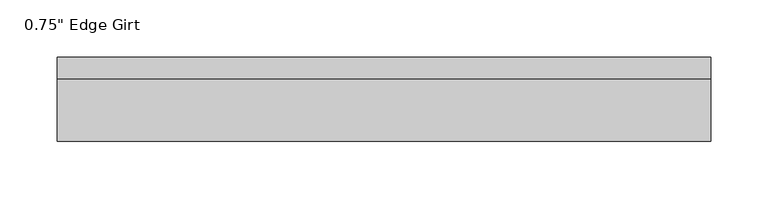
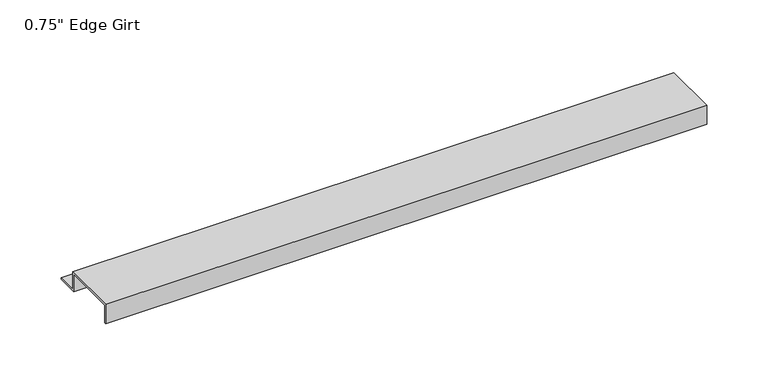
"""IFC4 building model written with IfcOpenShell, lengths in millimetres: proxy geometry."""

from ifc_helpers import new_model, si_unit, frame, origin, place, context, project, spatial, polyline, outline, extrude, source, transform, mapped, element, save


def proxy_1539e57a(model_context):
    return source(origin(), model_context, "Body", "SweptSolid", [
        extrude(outline(polyline([(46.0559645, -17.4375), (25.4, -17.4375), (25.4, 0.0), (-25.4, 0.0), (-25.4, -17.4375), (-27.0129, -17.4375), (-27.0129, 1.6129), (27.0129, 1.6129), (27.0129, -15.8242), (46.0559645, -15.8242), (46.0559645, -17.4375)])), frame((0.0, 0.0, 0.0), z_axis=(1.0, 0.0, 0.0), x_axis=(0.0, 1.0, 0.0)), (0.0, 0.0, 1.0), 568.5656064),
    ])


if __name__ == "__main__":
    model = new_model("IFC4")
    model_context = context("Model", 3, world=origin())
    ifc_project = project(units=[si_unit("LENGTHUNIT", "METRE", prefix="MILLI")], contexts=[model_context])
    site = spatial("IfcSite", under=ifc_project)
    building = spatial("IfcBuilding", under=site)
    placement = place(None, origin())
    proxy_shape = proxy_1539e57a(model_context)
    element("IfcBuildingElementProxy", 1, Name="0.75\" Edge Girt", ObjectType="0.75\" Edge Girt", at=placement, inside=building, context=model_context, shape_type="MappedRepresentation", body=[
        mapped(proxy_shape, transform((0.0, 0.0, 0.0), x_axis=(1.0, 0.0, 0.0), y_axis=(0.0, 1.0, 0.0), z_axis=(0.0, 0.0, 1.0))),
    ])
    save(model, "model.ifc")
